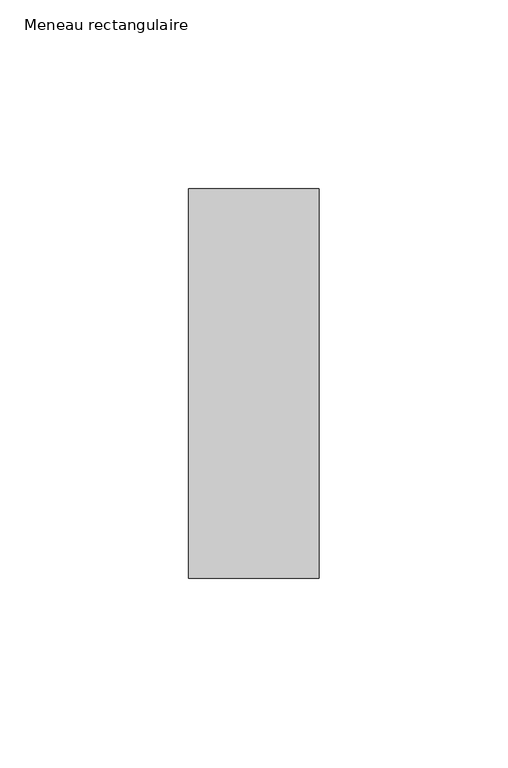
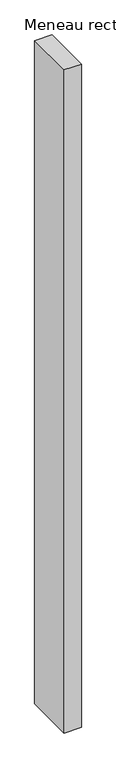
"""IFC4 building model written with IfcOpenShell, lengths in millimetres: member geometry, Meneau rectangulaire."""

from ifc_helpers import new_model, si_unit, frame, origin, place, context, project, spatial, polyline, outline, extrude, source, transform, mapped, element, save


def meneau_rectangulaire_1e512507(model_context):
    return source(origin(), model_context, "Body", "SweptSolid", [
        extrude(outline(polyline([(0.0, 51.5), (0.0, -51.5), (-34.5, -51.5), (-34.5, 51.5), (0.0, 51.5)])), frame((0.0, 0.0, -1413.256074), z_axis=(0.0, 0.0, 1.0), x_axis=(1.0, 0.0, 0.0)), (0.0, 0.0, 1.0), 1413.256074),
    ])


if __name__ == "__main__":
    model = new_model("IFC4")
    model_context = context("Model", 3, world=origin())
    ifc_project = project(units=[si_unit("LENGTHUNIT", "METRE", prefix="MILLI")], contexts=[model_context])
    site = spatial("IfcSite", under=ifc_project)
    building = spatial("IfcBuilding", under=site)
    placement = place(None, origin())
    meneau_rectangulaire_shape = meneau_rectangulaire_1e512507(model_context)
    element("IfcMember", 1, ObjectType="Meneau rectangulaire", at=placement, inside=building, context=model_context, shape_type="MappedRepresentation", body=[
        mapped(meneau_rectangulaire_shape, transform((0.0, 0.0, 0.0), x_axis=(1.0, 0.0, 0.0), y_axis=(0.0, 1.0, 0.0), z_axis=(0.0, 0.0, 1.0))),
    ])
    save(model, "model.ifc")
